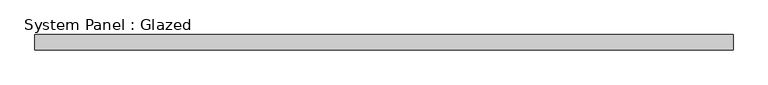
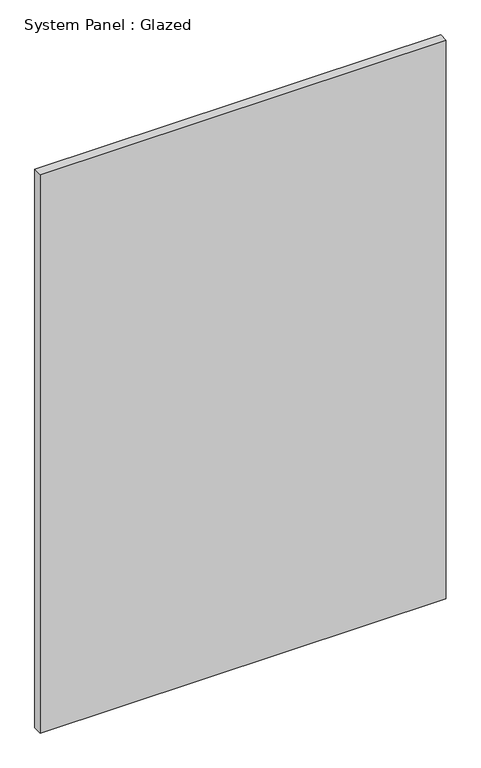
"""IFC4 building model written with IfcOpenShell, lengths in millimetres: plate geometry, System Panel : Glazed."""

from ifc_helpers import new_model, si_unit, origin, origin_with_axes, place, context, project, spatial, polyline, outline, extrude, source, transform, mapped, element, save


def system_panel_glazed_a420734f(model_context):
    return source(origin(), model_context, "Body", "SweptSolid", [
        extrude(outline(polyline([(577.85, 19.05), (-577.85, 19.05), (-577.85, 44.45), (577.85, 44.45), (577.85, 19.05)])), origin_with_axes(), (0.0, 0.0, 1.0), 1680.4946968),
    ])


if __name__ == "__main__":
    model = new_model("IFC4")
    model_context = context("Model", 3, world=origin())
    ifc_project = project(units=[si_unit("LENGTHUNIT", "METRE", prefix="MILLI")], contexts=[model_context])
    site = spatial("IfcSite", under=ifc_project)
    building = spatial("IfcBuilding", under=site)
    placement = place(None, origin())
    system_panel_glazed_shape = system_panel_glazed_a420734f(model_context)
    element("IfcPlate", 1, ObjectType="System Panel : Glazed", at=placement, inside=building, context=model_context, shape_type="MappedRepresentation", body=[
        mapped(system_panel_glazed_shape, transform((0.0, 0.0, 0.0), x_axis=(1.0, 0.0, 0.0), y_axis=(0.0, 1.0, 0.0), z_axis=(0.0, 0.0, 1.0))),
    ])
    save(model, "model.ifc")
